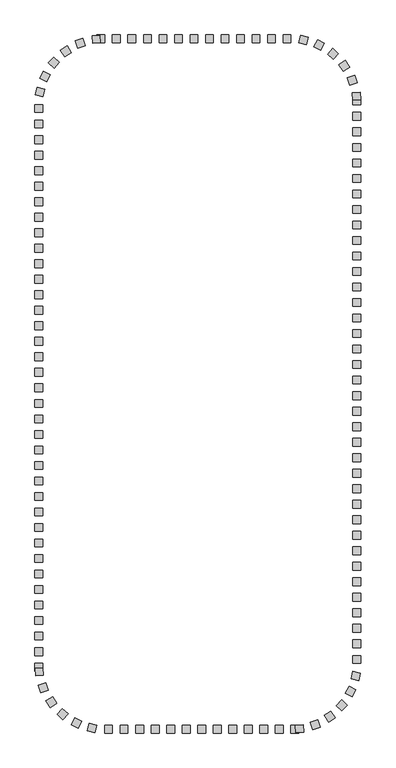
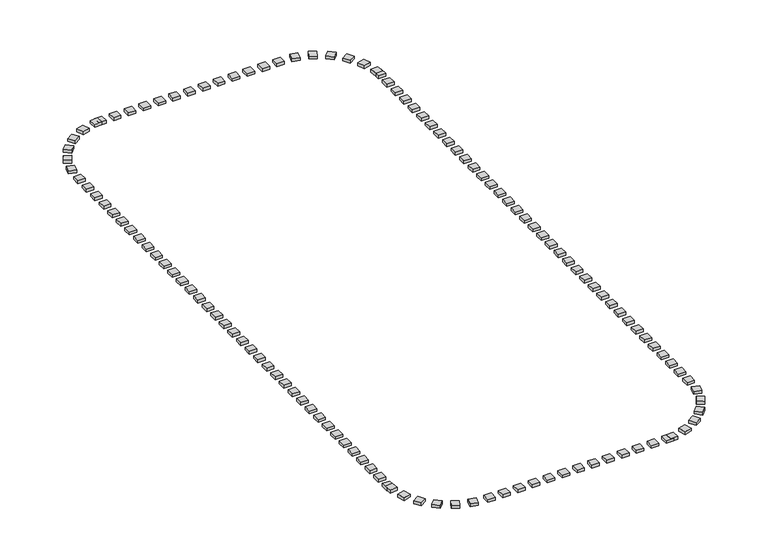
"""IFC4 building model written with IfcOpenShell, lengths in millimetres: railing geometry."""

from ifc_helpers import new_model, si_unit, origin, origin_with_axes, place, context, project, spatial, polyline, outline, extrude, source, transform, mapped, element, save


def railing_40efc9b8(model_context):
    return source(origin(), model_context, "Body", "SweptSolid", [
        extrude(outline(polyline([(37372.4823698, 2754.6603569), (37372.4823698, 2254.6603569), (36872.4823698, 2254.6603569), (36872.4823698, 2754.6603569), (37372.4823698, 2754.6603569)])), origin_with_axes(), (0.0, 0.0, 1.0), 200.0),
        extrude(outline(polyline([(36372.4823698, 2754.6603569), (36372.4823698, 2254.6603569), (35872.4823698, 2254.6603569), (35872.4823698, 2754.6603569), (36372.4823698, 2754.6603569)])), origin_with_axes(), (0.0, 0.0, 1.0), 200.0),
        extrude(outline(polyline([(35372.4823698, 2754.6603569), (35372.4823698, 2254.6603569), (34872.4823698, 2254.6603569), (34872.4823698, 2754.6603569), (35372.4823698, 2754.6603569)])), origin_with_axes(), (0.0, 0.0, 1.0), 200.0),
        extrude(outline(polyline([(34372.4823698, 2754.6603569), (34372.4823698, 2254.6603569), (33872.4823698, 2254.6603569), (33872.4823698, 2754.6603569), (34372.4823698, 2754.6603569)])), origin_with_axes(), (0.0, 0.0, 1.0), 200.0),
        extrude(outline(polyline([(33372.4823698, 2754.6603569), (33372.4823698, 2254.6603569), (32872.4823698, 2254.6603569), (32872.4823698, 2754.6603569), (33372.4823698, 2754.6603569)])), origin_with_axes(), (0.0, 0.0, 1.0), 200.0),
        extrude(outline(polyline([(32372.4823698, 2754.6603569), (32372.4823698, 2254.6603569), (31872.4823698, 2254.6603569), (31872.4823698, 2754.6603569), (32372.4823698, 2754.6603569)])), origin_with_axes(), (0.0, 0.0, 1.0), 200.0),
        extrude(outline(polyline([(31372.4823698, 2754.6603569), (31372.4823698, 2254.6603569), (30872.4823698, 2254.6603569), (30872.4823698, 2754.6603569), (31372.4823698, 2754.6603569)])), origin_with_axes(), (0.0, 0.0, 1.0), 200.0),
        extrude(outline(polyline([(30372.4823698, 2754.6603569), (30372.4823698, 2254.6603569), (29872.4823698, 2254.6603569), (29872.4823698, 2754.6603569), (30372.4823698, 2754.6603569)])), origin_with_axes(), (0.0, 0.0, 1.0), 200.0),
        extrude(outline(polyline([(29372.4823698, 2754.6603569), (29372.4823698, 2254.6603569), (28872.4823698, 2254.6603569), (28872.4823698, 2754.6603569), (29372.4823698, 2754.6603569)])), origin_with_axes(), (0.0, 0.0, 1.0), 200.0),
        extrude(outline(polyline([(28372.4823698, 2754.6603569), (28372.4823698, 2254.6603569), (27872.4823698, 2254.6603569), (27872.4823698, 2754.6603569), (28372.4823698, 2754.6603569)])), origin_with_axes(), (0.0, 0.0, 1.0), 200.0),
        extrude(outline(polyline([(27372.4823698, 2754.6603569), (27372.4823698, 2254.6603569), (26872.4823698, 2254.6603569), (26872.4823698, 2754.6603569), (27372.4823698, 2754.6603569)])), origin_with_axes(), (0.0, 0.0, 1.0), 200.0),
        extrude(outline(polyline([(26054.1649623, 2743.3877966), (26089.5335632, 2244.6403033), (25590.7860699, 2209.2717025), (25555.417469, 2708.0191958), (26054.1649623, 2743.3877966)])), origin_with_axes(), (0.0, 0.0, 1.0), 200.0),
        extrude(outline(polyline([(24953.5317391, 2525.091144), (25111.1929203, 2050.5988343), (24636.7006106, 1892.9376531), (24479.0394294, 2367.4299628), (24953.5317391, 2525.091144)])), origin_with_axes(), (0.0, 0.0, 1.0), 200.0),
        extrude(outline(polyline([(23941.1219934, 2041.2797885), (24211.2731464, 1620.5442961), (23790.537654, 1350.3931432), (23520.386501, 1771.1286356), (23941.1219934, 2041.2797885)])), origin_with_axes(), (0.0, 0.0, 1.0), 200.0),
        extrude(outline(polyline([(23079.8824599, 1322.034777), (23445.7268944, 981.215397), (23104.9075143, 615.3709625), (22739.0630799, 956.1903425), (23079.8824599, 1322.034777)])), origin_with_axes(), (0.0, 0.0, 1.0), 200.0),
        extrude(outline(polyline([(22423.3608413, 412.0752806), (22862.1521223, 172.3625113), (22622.439353, -266.4287697), (22183.648072, -26.7160004), (22423.3608413, 412.0752806)])), origin_with_axes(), (0.0, 0.0, 1.0), 200.0),
        extrude(outline(polyline([(22012.3764722, -632.0218265), (22496.832683, -755.7238061), (22373.1307034, -1240.180017), (21888.6744925, -1116.4780373), (22012.3764722, -632.0218265)])), origin_with_axes(), (0.0, 0.0, 1.0), 200.0),
        extrude(outline(polyline([(21872.4823698, -2745.3396431), (22372.4823698, -2745.3396431), (22372.4823698, -3245.3396431), (21872.4823698, -3245.3396431), (21872.4823698, -2745.3396431)])), origin_with_axes(), (0.0, 0.0, 1.0), 200.0),
        extrude(outline(polyline([(21872.4823698, -3745.3396431), (22372.4823698, -3745.3396431), (22372.4823698, -4245.3396431), (21872.4823698, -4245.3396431), (21872.4823698, -3745.3396431)])), origin_with_axes(), (0.0, 0.0, 1.0), 200.0),
        extrude(outline(polyline([(21872.4823698, -4745.3396431), (22372.4823698, -4745.3396431), (22372.4823698, -5245.3396431), (21872.4823698, -5245.3396431), (21872.4823698, -4745.3396431)])), origin_with_axes(), (0.0, 0.0, 1.0), 200.0),
        extrude(outline(polyline([(21872.4823698, -5745.3396431), (22372.4823698, -5745.3396431), (22372.4823698, -6245.3396431), (21872.4823698, -6245.3396431), (21872.4823698, -5745.3396431)])), origin_with_axes(), (0.0, 0.0, 1.0), 200.0),
        extrude(outline(polyline([(21872.4823698, -6745.3396431), (22372.4823698, -6745.3396431), (22372.4823698, -7245.3396431), (21872.4823698, -7245.3396431), (21872.4823698, -6745.3396431)])), origin_with_axes(), (0.0, 0.0, 1.0), 200.0),
        extrude(outline(polyline([(21872.4823698, -7745.3396431), (22372.4823698, -7745.3396431), (22372.4823698, -8245.3396431), (21872.4823698, -8245.3396431), (21872.4823698, -7745.3396431)])), origin_with_axes(), (0.0, 0.0, 1.0), 200.0),
        extrude(outline(polyline([(21872.4823698, -8745.3396431), (22372.4823698, -8745.3396431), (22372.4823698, -9245.3396431), (21872.4823698, -9245.3396431), (21872.4823698, -8745.3396431)])), origin_with_axes(), (0.0, 0.0, 1.0), 200.0),
        extrude(outline(polyline([(21872.4823698, -9745.3396431), (22372.4823698, -9745.3396431), (22372.4823698, -10245.3396431), (21872.4823698, -10245.3396431), (21872.4823698, -9745.3396431)])), origin_with_axes(), (0.0, 0.0, 1.0), 200.0),
        extrude(outline(polyline([(21872.4823698, -10745.3396431), (22372.4823698, -10745.3396431), (22372.4823698, -11245.3396431), (21872.4823698, -11245.3396431), (21872.4823698, -10745.3396431)])), origin_with_axes(), (0.0, 0.0, 1.0), 200.0),
        extrude(outline(polyline([(21872.4823698, -11745.3396431), (22372.4823698, -11745.3396431), (22372.4823698, -12245.3396431), (21872.4823698, -12245.3396431), (21872.4823698, -11745.3396431)])), origin_with_axes(), (0.0, 0.0, 1.0), 200.0),
        extrude(outline(polyline([(21872.4823698, -12745.3396431), (22372.4823698, -12745.3396431), (22372.4823698, -13245.3396431), (21872.4823698, -13245.3396431), (21872.4823698, -12745.3396431)])), origin_with_axes(), (0.0, 0.0, 1.0), 200.0),
        extrude(outline(polyline([(21872.4823698, -13745.3396431), (22372.4823698, -13745.3396431), (22372.4823698, -14245.3396431), (21872.4823698, -14245.3396431), (21872.4823698, -13745.3396431)])), origin_with_axes(), (0.0, 0.0, 1.0), 200.0),
        extrude(outline(polyline([(21872.4823698, -14745.3396431), (22372.4823698, -14745.3396431), (22372.4823698, -15245.3396431), (21872.4823698, -15245.3396431), (21872.4823698, -14745.3396431)])), origin_with_axes(), (0.0, 0.0, 1.0), 200.0),
        extrude(outline(polyline([(21872.4823698, -15745.3396431), (22372.4823698, -15745.3396431), (22372.4823698, -16245.3396431), (21872.4823698, -16245.3396431), (21872.4823698, -15745.3396431)])), origin_with_axes(), (0.0, 0.0, 1.0), 200.0),
        extrude(outline(polyline([(21872.4823698, -16745.3396431), (22372.4823698, -16745.3396431), (22372.4823698, -17245.3396431), (21872.4823698, -17245.3396431), (21872.4823698, -16745.3396431)])), origin_with_axes(), (0.0, 0.0, 1.0), 200.0),
        extrude(outline(polyline([(21872.4823698, -17745.3396431), (22372.4823698, -17745.3396431), (22372.4823698, -18245.3396431), (21872.4823698, -18245.3396431), (21872.4823698, -17745.3396431)])), origin_with_axes(), (0.0, 0.0, 1.0), 200.0),
        extrude(outline(polyline([(21872.4823698, -18745.3396431), (22372.4823698, -18745.3396431), (22372.4823698, -19245.3396431), (21872.4823698, -19245.3396431), (21872.4823698, -18745.3396431)])), origin_with_axes(), (0.0, 0.0, 1.0), 200.0),
        extrude(outline(polyline([(21872.4823698, -19745.3396431), (22372.4823698, -19745.3396431), (22372.4823698, -20245.3396431), (21872.4823698, -20245.3396431), (21872.4823698, -19745.3396431)])), origin_with_axes(), (0.0, 0.0, 1.0), 200.0),
        extrude(outline(polyline([(21872.4823698, -20745.3396431), (22372.4823698, -20745.3396431), (22372.4823698, -21245.3396431), (21872.4823698, -21245.3396431), (21872.4823698, -20745.3396431)])), origin_with_axes(), (0.0, 0.0, 1.0), 200.0),
        extrude(outline(polyline([(21872.4823698, -21745.3396431), (22372.4823698, -21745.3396431), (22372.4823698, -22245.3396431), (21872.4823698, -22245.3396431), (21872.4823698, -21745.3396431)])), origin_with_axes(), (0.0, 0.0, 1.0), 200.0),
        extrude(outline(polyline([(21872.4823698, -22745.3396431), (22372.4823698, -22745.3396431), (22372.4823698, -23245.3396431), (21872.4823698, -23245.3396431), (21872.4823698, -22745.3396431)])), origin_with_axes(), (0.0, 0.0, 1.0), 200.0),
        extrude(outline(polyline([(21872.4823698, -23745.3396431), (22372.4823698, -23745.3396431), (22372.4823698, -24245.3396431), (21872.4823698, -24245.3396431), (21872.4823698, -23745.3396431)])), origin_with_axes(), (0.0, 0.0, 1.0), 200.0),
        extrude(outline(polyline([(21872.4823698, -24745.3396431), (22372.4823698, -24745.3396431), (22372.4823698, -25245.3396431), (21872.4823698, -25245.3396431), (21872.4823698, -24745.3396431)])), origin_with_axes(), (0.0, 0.0, 1.0), 200.0),
        extrude(outline(polyline([(21872.4823698, -25745.3396431), (22372.4823698, -25745.3396431), (22372.4823698, -26245.3396431), (21872.4823698, -26245.3396431), (21872.4823698, -25745.3396431)])), origin_with_axes(), (0.0, 0.0, 1.0), 200.0),
        extrude(outline(polyline([(21872.4823698, -26745.3396431), (22372.4823698, -26745.3396431), (22372.4823698, -27245.3396431), (21872.4823698, -27245.3396431), (21872.4823698, -26745.3396431)])), origin_with_axes(), (0.0, 0.0, 1.0), 200.0),
        extrude(outline(polyline([(21872.4823698, -27745.3396431), (22372.4823698, -27745.3396431), (22372.4823698, -28245.3396431), (21872.4823698, -28245.3396431), (21872.4823698, -27745.3396431)])), origin_with_axes(), (0.0, 0.0, 1.0), 200.0),
        extrude(outline(polyline([(21872.4823698, -28745.3396431), (22372.4823698, -28745.3396431), (22372.4823698, -29245.3396431), (21872.4823698, -29245.3396431), (21872.4823698, -28745.3396431)])), origin_with_axes(), (0.0, 0.0, 1.0), 200.0),
        extrude(outline(polyline([(21872.4823698, -29745.3396431), (22372.4823698, -29745.3396431), (22372.4823698, -30245.3396431), (21872.4823698, -30245.3396431), (21872.4823698, -29745.3396431)])), origin_with_axes(), (0.0, 0.0, 1.0), 200.0),
        extrude(outline(polyline([(21872.4823698, -30745.3396431), (22372.4823698, -30745.3396431), (22372.4823698, -31245.3396431), (21872.4823698, -31245.3396431), (21872.4823698, -30745.3396431)])), origin_with_axes(), (0.0, 0.0, 1.0), 200.0),
        extrude(outline(polyline([(21872.4823698, -31745.3396431), (22372.4823698, -31745.3396431), (22372.4823698, -32245.3396431), (21872.4823698, -32245.3396431), (21872.4823698, -31745.3396431)])), origin_with_axes(), (0.0, 0.0, 1.0), 200.0),
        extrude(outline(polyline([(21872.4823698, -32745.3396431), (22372.4823698, -32745.3396431), (22372.4823698, -33245.3396431), (21872.4823698, -33245.3396431), (21872.4823698, -32745.3396431)])), origin_with_axes(), (0.0, 0.0, 1.0), 200.0),
        extrude(outline(polyline([(21872.4823698, -33745.3396431), (22372.4823698, -33745.3396431), (22372.4823698, -34245.3396431), (21872.4823698, -34245.3396431), (21872.4823698, -33745.3396431)])), origin_with_axes(), (0.0, 0.0, 1.0), 200.0),
        extrude(outline(polyline([(21872.4823698, -34745.3396431), (22372.4823698, -34745.3396431), (22372.4823698, -35245.3396431), (21872.4823698, -35245.3396431), (21872.4823698, -34745.3396431)])), origin_with_axes(), (0.0, 0.0, 1.0), 200.0),
        extrude(outline(polyline([(21872.4823698, -35745.3396431), (22372.4823698, -35745.3396431), (22372.4823698, -36245.3396431), (21872.4823698, -36245.3396431), (21872.4823698, -35745.3396431)])), origin_with_axes(), (0.0, 0.0, 1.0), 200.0),
        extrude(outline(polyline([(21872.4823698, -36745.3396431), (22372.4823698, -36745.3396431), (22372.4823698, -37245.3396431), (21872.4823698, -37245.3396431), (21872.4823698, -36745.3396431)])), origin_with_axes(), (0.0, 0.0, 1.0), 200.0),
        extrude(outline(polyline([(21883.7549301, -38063.6570506), (22382.5024234, -38028.2884498), (22417.8710243, -38527.0359431), (21919.123531, -38562.4045439), (21883.7549301, -38063.6570506)])), origin_with_axes(), (0.0, 0.0, 1.0), 200.0),
        extrude(outline(polyline([(22102.0515827, -39164.2902739), (22576.5438924, -39006.6290927), (22734.2050736, -39481.1214024), (22259.7127639, -39638.7825836), (22102.0515827, -39164.2902739)])), origin_with_axes(), (0.0, 0.0, 1.0), 200.0),
        extrude(outline(polyline([(22585.8629382, -40176.7000195), (23006.5984306, -39906.5488666), (23276.7495836, -40327.284359), (22856.0140911, -40597.4355119), (22585.8629382, -40176.7000195)])), origin_with_axes(), (0.0, 0.0, 1.0), 200.0),
        extrude(outline(polyline([(23305.1079497, -41037.9395531), (23645.9273298, -40672.0951186), (24011.7717642, -41012.9144986), (23670.9523842, -41378.7589331), (23305.1079497, -41037.9395531)])), origin_with_axes(), (0.0, 0.0, 1.0), 200.0),
        extrude(outline(polyline([(24215.0674461, -41694.4611716), (24454.7802154, -41255.6698907), (24893.5714964, -41495.38266), (24653.8587271, -41934.1739409), (24215.0674461, -41694.4611716)])), origin_with_axes(), (0.0, 0.0, 1.0), 200.0),
        extrude(outline(polyline([(25259.1645532, -42105.4455408), (25382.8665328, -41620.98933), (25867.3227437, -41744.6913096), (25743.6207641, -42229.1475205), (25259.1645532, -42105.4455408)])), origin_with_axes(), (0.0, 0.0, 1.0), 200.0),
        extrude(outline(polyline([(27372.4823698, -42245.3396431), (27372.4823698, -41745.3396431), (27872.4823698, -41745.3396431), (27872.4823698, -42245.3396431), (27372.4823698, -42245.3396431)])), origin_with_axes(), (0.0, 0.0, 1.0), 200.0),
        extrude(outline(polyline([(28372.4823698, -42245.3396431), (28372.4823698, -41745.3396431), (28872.4823698, -41745.3396431), (28872.4823698, -42245.3396431), (28372.4823698, -42245.3396431)])), origin_with_axes(), (0.0, 0.0, 1.0), 200.0),
        extrude(outline(polyline([(29372.4823698, -42245.3396431), (29372.4823698, -41745.3396431), (29872.4823698, -41745.3396431), (29872.4823698, -42245.3396431), (29372.4823698, -42245.3396431)])), origin_with_axes(), (0.0, 0.0, 1.0), 200.0),
        extrude(outline(polyline([(30372.4823698, -42245.3396431), (30372.4823698, -41745.3396431), (30872.4823698, -41745.3396431), (30872.4823698, -42245.3396431), (30372.4823698, -42245.3396431)])), origin_with_axes(), (0.0, 0.0, 1.0), 200.0),
        extrude(outline(polyline([(31372.4823698, -42245.3396431), (31372.4823698, -41745.3396431), (31872.4823698, -41745.3396431), (31872.4823698, -42245.3396431), (31372.4823698, -42245.3396431)])), origin_with_axes(), (0.0, 0.0, 1.0), 200.0),
        extrude(outline(polyline([(32372.4823698, -42245.3396431), (32372.4823698, -41745.3396431), (32872.4823698, -41745.3396431), (32872.4823698, -42245.3396431), (32372.4823698, -42245.3396431)])), origin_with_axes(), (0.0, 0.0, 1.0), 200.0),
        extrude(outline(polyline([(33372.4823698, -42245.3396431), (33372.4823698, -41745.3396431), (33872.4823698, -41745.3396431), (33872.4823698, -42245.3396431), (33372.4823698, -42245.3396431)])), origin_with_axes(), (0.0, 0.0, 1.0), 200.0),
        extrude(outline(polyline([(34372.4823698, -42245.3396431), (34372.4823698, -41745.3396431), (34872.4823698, -41745.3396431), (34872.4823698, -42245.3396431), (34372.4823698, -42245.3396431)])), origin_with_axes(), (0.0, 0.0, 1.0), 200.0),
        extrude(outline(polyline([(35372.4823698, -42245.3396431), (35372.4823698, -41745.3396431), (35872.4823698, -41745.3396431), (35872.4823698, -42245.3396431), (35372.4823698, -42245.3396431)])), origin_with_axes(), (0.0, 0.0, 1.0), 200.0),
        extrude(outline(polyline([(36372.4823698, -42245.3396431), (36372.4823698, -41745.3396431), (36872.4823698, -41745.3396431), (36872.4823698, -42245.3396431), (36372.4823698, -42245.3396431)])), origin_with_axes(), (0.0, 0.0, 1.0), 200.0),
        extrude(outline(polyline([(37372.4823698, -42245.3396431), (37372.4823698, -41745.3396431), (37872.4823698, -41745.3396431), (37872.4823698, -42245.3396431), (37372.4823698, -42245.3396431)])), origin_with_axes(), (0.0, 0.0, 1.0), 200.0),
        extrude(outline(polyline([(38690.7997774, -42234.0670828), (38655.4311765, -41735.3195895), (39154.1786698, -41699.9509887), (39189.5472707, -42198.698482), (38690.7997774, -42234.0670828)])), origin_with_axes(), (0.0, 0.0, 1.0), 200.0),
        extrude(outline(polyline([(39791.4330006, -42015.7704302), (39633.7718194, -41541.2781206), (40108.2641291, -41383.6169394), (40265.9253103, -41858.109249), (39791.4330006, -42015.7704302)])), origin_with_axes(), (0.0, 0.0, 1.0), 200.0),
        extrude(outline(polyline([(40803.8427463, -41531.9590748), (40533.6915933, -41111.2235824), (40954.4270857, -40841.0724294), (41224.5782387, -41261.8079218), (40803.8427463, -41531.9590748)])), origin_with_axes(), (0.0, 0.0, 1.0), 200.0),
        extrude(outline(polyline([(41665.0822798, -40812.7140632), (41299.2378453, -40471.8946832), (41640.0572254, -40106.0502488), (42005.9016598, -40446.8696288), (41665.0822798, -40812.7140632)])), origin_with_axes(), (0.0, 0.0, 1.0), 200.0),
        extrude(outline(polyline([(42321.6038984, -39902.7545668), (41882.8126174, -39663.0417975), (42122.5253867, -39224.2505166), (42561.3166677, -39463.9632859), (42321.6038984, -39902.7545668)])), origin_with_axes(), (0.0, 0.0, 1.0), 200.0),
        extrude(outline(polyline([(42732.5882675, -38858.6574598), (42248.1320567, -38734.9554801), (42371.8340363, -38250.4992693), (42856.2902472, -38374.2012489), (42732.5882675, -38858.6574598)])), origin_with_axes(), (0.0, 0.0, 1.0), 200.0),
        extrude(outline(polyline([(42872.4823698, -36745.3396431), (42372.4823698, -36745.3396431), (42372.4823698, -36245.3396431), (42872.4823698, -36245.3396431), (42872.4823698, -36745.3396431)])), origin_with_axes(), (0.0, 0.0, 1.0), 200.0),
        extrude(outline(polyline([(42872.4823698, -35745.3396431), (42372.4823698, -35745.3396431), (42372.4823698, -35245.3396431), (42872.4823698, -35245.3396431), (42872.4823698, -35745.3396431)])), origin_with_axes(), (0.0, 0.0, 1.0), 200.0),
        extrude(outline(polyline([(42872.4823698, -34745.3396431), (42372.4823698, -34745.3396431), (42372.4823698, -34245.3396431), (42872.4823698, -34245.3396431), (42872.4823698, -34745.3396431)])), origin_with_axes(), (0.0, 0.0, 1.0), 200.0),
        extrude(outline(polyline([(42872.4823698, -33745.3396431), (42372.4823698, -33745.3396431), (42372.4823698, -33245.3396431), (42872.4823698, -33245.3396431), (42872.4823698, -33745.3396431)])), origin_with_axes(), (0.0, 0.0, 1.0), 200.0),
        extrude(outline(polyline([(42872.4823698, -32745.3396431), (42372.4823698, -32745.3396431), (42372.4823698, -32245.3396431), (42872.4823698, -32245.3396431), (42872.4823698, -32745.3396431)])), origin_with_axes(), (0.0, 0.0, 1.0), 200.0),
        extrude(outline(polyline([(42872.4823698, -31745.3396431), (42372.4823698, -31745.3396431), (42372.4823698, -31245.3396431), (42872.4823698, -31245.3396431), (42872.4823698, -31745.3396431)])), origin_with_axes(), (0.0, 0.0, 1.0), 200.0),
        extrude(outline(polyline([(42872.4823698, -30745.3396431), (42372.4823698, -30745.3396431), (42372.4823698, -30245.3396431), (42872.4823698, -30245.3396431), (42872.4823698, -30745.3396431)])), origin_with_axes(), (0.0, 0.0, 1.0), 200.0),
        extrude(outline(polyline([(42872.4823698, -29745.3396431), (42372.4823698, -29745.3396431), (42372.4823698, -29245.3396431), (42872.4823698, -29245.3396431), (42872.4823698, -29745.3396431)])), origin_with_axes(), (0.0, 0.0, 1.0), 200.0),
        extrude(outline(polyline([(42872.4823698, -28745.3396431), (42372.4823698, -28745.3396431), (42372.4823698, -28245.3396431), (42872.4823698, -28245.3396431), (42872.4823698, -28745.3396431)])), origin_with_axes(), (0.0, 0.0, 1.0), 200.0),
        extrude(outline(polyline([(42872.4823698, -27745.3396431), (42372.4823698, -27745.3396431), (42372.4823698, -27245.3396431), (42872.4823698, -27245.3396431), (42872.4823698, -27745.3396431)])), origin_with_axes(), (0.0, 0.0, 1.0), 200.0),
        extrude(outline(polyline([(42872.4823698, -26745.3396431), (42372.4823698, -26745.3396431), (42372.4823698, -26245.3396431), (42872.4823698, -26245.3396431), (42872.4823698, -26745.3396431)])), origin_with_axes(), (0.0, 0.0, 1.0), 200.0),
        extrude(outline(polyline([(42872.4823698, -25745.3396431), (42372.4823698, -25745.3396431), (42372.4823698, -25245.3396431), (42872.4823698, -25245.3396431), (42872.4823698, -25745.3396431)])), origin_with_axes(), (0.0, 0.0, 1.0), 200.0),
        extrude(outline(polyline([(42872.4823698, -24745.3396431), (42372.4823698, -24745.3396431), (42372.4823698, -24245.3396431), (42872.4823698, -24245.3396431), (42872.4823698, -24745.3396431)])), origin_with_axes(), (0.0, 0.0, 1.0), 200.0),
        extrude(outline(polyline([(42872.4823698, -23745.3396431), (42372.4823698, -23745.3396431), (42372.4823698, -23245.3396431), (42872.4823698, -23245.3396431), (42872.4823698, -23745.3396431)])), origin_with_axes(), (0.0, 0.0, 1.0), 200.0),
        extrude(outline(polyline([(42872.4823698, -22745.3396431), (42372.4823698, -22745.3396431), (42372.4823698, -22245.3396431), (42872.4823698, -22245.3396431), (42872.4823698, -22745.3396431)])), origin_with_axes(), (0.0, 0.0, 1.0), 200.0),
        extrude(outline(polyline([(42872.4823698, -21745.3396431), (42372.4823698, -21745.3396431), (42372.4823698, -21245.3396431), (42872.4823698, -21245.3396431), (42872.4823698, -21745.3396431)])), origin_with_axes(), (0.0, 0.0, 1.0), 200.0),
        extrude(outline(polyline([(42872.4823698, -20745.3396431), (42372.4823698, -20745.3396431), (42372.4823698, -20245.3396431), (42872.4823698, -20245.3396431), (42872.4823698, -20745.3396431)])), origin_with_axes(), (0.0, 0.0, 1.0), 200.0),
        extrude(outline(polyline([(42872.4823698, -19745.3396431), (42372.4823698, -19745.3396431), (42372.4823698, -19245.3396431), (42872.4823698, -19245.3396431), (42872.4823698, -19745.3396431)])), origin_with_axes(), (0.0, 0.0, 1.0), 200.0),
        extrude(outline(polyline([(42872.4823698, -18745.3396431), (42372.4823698, -18745.3396431), (42372.4823698, -18245.3396431), (42872.4823698, -18245.3396431), (42872.4823698, -18745.3396431)])), origin_with_axes(), (0.0, 0.0, 1.0), 200.0),
        extrude(outline(polyline([(42872.4823698, -17745.3396431), (42372.4823698, -17745.3396431), (42372.4823698, -17245.3396431), (42872.4823698, -17245.3396431), (42872.4823698, -17745.3396431)])), origin_with_axes(), (0.0, 0.0, 1.0), 200.0),
        extrude(outline(polyline([(42872.4823698, -16745.3396431), (42372.4823698, -16745.3396431), (42372.4823698, -16245.3396431), (42872.4823698, -16245.3396431), (42872.4823698, -16745.3396431)])), origin_with_axes(), (0.0, 0.0, 1.0), 200.0),
        extrude(outline(polyline([(42872.4823698, -15745.3396431), (42372.4823698, -15745.3396431), (42372.4823698, -15245.3396431), (42872.4823698, -15245.3396431), (42872.4823698, -15745.3396431)])), origin_with_axes(), (0.0, 0.0, 1.0), 200.0),
        extrude(outline(polyline([(42872.4823698, -14745.3396431), (42372.4823698, -14745.3396431), (42372.4823698, -14245.3396431), (42872.4823698, -14245.3396431), (42872.4823698, -14745.3396431)])), origin_with_axes(), (0.0, 0.0, 1.0), 200.0),
        extrude(outline(polyline([(42872.4823698, -13745.3396431), (42372.4823698, -13745.3396431), (42372.4823698, -13245.3396431), (42872.4823698, -13245.3396431), (42872.4823698, -13745.3396431)])), origin_with_axes(), (0.0, 0.0, 1.0), 200.0),
        extrude(outline(polyline([(42872.4823698, -12745.3396431), (42372.4823698, -12745.3396431), (42372.4823698, -12245.3396431), (42872.4823698, -12245.3396431), (42872.4823698, -12745.3396431)])), origin_with_axes(), (0.0, 0.0, 1.0), 200.0),
        extrude(outline(polyline([(42872.4823698, -11745.3396431), (42372.4823698, -11745.3396431), (42372.4823698, -11245.3396431), (42872.4823698, -11245.3396431), (42872.4823698, -11745.3396431)])), origin_with_axes(), (0.0, 0.0, 1.0), 200.0),
        extrude(outline(polyline([(42872.4823698, -10745.3396431), (42372.4823698, -10745.3396431), (42372.4823698, -10245.3396431), (42872.4823698, -10245.3396431), (42872.4823698, -10745.3396431)])), origin_with_axes(), (0.0, 0.0, 1.0), 200.0),
        extrude(outline(polyline([(42872.4823698, -9745.3396431), (42372.4823698, -9745.3396431), (42372.4823698, -9245.3396431), (42872.4823698, -9245.3396431), (42872.4823698, -9745.3396431)])), origin_with_axes(), (0.0, 0.0, 1.0), 200.0),
        extrude(outline(polyline([(42872.4823698, -8745.3396431), (42372.4823698, -8745.3396431), (42372.4823698, -8245.3396431), (42872.4823698, -8245.3396431), (42872.4823698, -8745.3396431)])), origin_with_axes(), (0.0, 0.0, 1.0), 200.0),
        extrude(outline(polyline([(42872.4823698, -7745.3396431), (42372.4823698, -7745.3396431), (42372.4823698, -7245.3396431), (42872.4823698, -7245.3396431), (42872.4823698, -7745.3396431)])), origin_with_axes(), (0.0, 0.0, 1.0), 200.0),
        extrude(outline(polyline([(42872.4823698, -6745.3396431), (42372.4823698, -6745.3396431), (42372.4823698, -6245.3396431), (42872.4823698, -6245.3396431), (42872.4823698, -6745.3396431)])), origin_with_axes(), (0.0, 0.0, 1.0), 200.0),
        extrude(outline(polyline([(42872.4823698, -5745.3396431), (42372.4823698, -5745.3396431), (42372.4823698, -5245.3396431), (42872.4823698, -5245.3396431), (42872.4823698, -5745.3396431)])), origin_with_axes(), (0.0, 0.0, 1.0), 200.0),
        extrude(outline(polyline([(42872.4823698, -4745.3396431), (42372.4823698, -4745.3396431), (42372.4823698, -4245.3396431), (42872.4823698, -4245.3396431), (42872.4823698, -4745.3396431)])), origin_with_axes(), (0.0, 0.0, 1.0), 200.0),
        extrude(outline(polyline([(42872.4823698, -3745.3396431), (42372.4823698, -3745.3396431), (42372.4823698, -3245.3396431), (42872.4823698, -3245.3396431), (42872.4823698, -3745.3396431)])), origin_with_axes(), (0.0, 0.0, 1.0), 200.0),
        extrude(outline(polyline([(42872.4823698, -2745.3396431), (42372.4823698, -2745.3396431), (42372.4823698, -2245.3396431), (42872.4823698, -2245.3396431), (42872.4823698, -2745.3396431)])), origin_with_axes(), (0.0, 0.0, 1.0), 200.0),
        extrude(outline(polyline([(42861.2098096, -1427.0222356), (42362.4623163, -1462.3908365), (42327.0937154, -963.6433432), (42825.8412087, -928.2747423), (42861.2098096, -1427.0222356)])), origin_with_axes(), (0.0, 0.0, 1.0), 200.0),
        extrude(outline(polyline([(42642.9131569, -326.3890124), (42168.4208473, -484.0501935), (42010.7596661, -9.5578839), (42485.2519758, 148.1032973), (42642.9131569, -326.3890124)])), origin_with_axes(), (0.0, 0.0, 1.0), 200.0),
        extrude(outline(polyline([(42159.1018015, 686.0207333), (41738.3663091, 415.8695803), (41468.2151561, 836.6050727), (41888.9506486, 1106.7562257), (42159.1018015, 686.0207333)])), origin_with_axes(), (0.0, 0.0, 1.0), 200.0),
        extrude(outline(polyline([(41439.85679, 1547.2602668), (41099.0374099, 1181.4158324), (40733.1929755, 1522.2352124), (41074.0123555, 1888.0796468), (41439.85679, 1547.2602668)])), origin_with_axes(), (0.0, 0.0, 1.0), 200.0),
        extrude(outline(polyline([(40529.8972936, 2203.7818854), (40290.1845243, 1764.9906044), (39851.3932433, 2004.7033737), (40091.1060126, 2443.4946547), (40529.8972936, 2203.7818854)])), origin_with_axes(), (0.0, 0.0, 1.0), 200.0),
        extrude(outline(polyline([(39485.8001865, 2614.7662546), (39362.0982069, 2130.3100437), (38877.641996, 2254.0120233), (39001.3439756, 2738.4682342), (39485.8001865, 2614.7662546)])), origin_with_axes(), (0.0, 0.0, 1.0), 200.0),
        extrude(outline(polyline([(38372.4823698, 2754.6603569), (38372.4823698, 2254.6603569), (37872.4823698, 2254.6603569), (37872.4823698, 2754.6603569), (38372.4823698, 2754.6603569)])), origin_with_axes(), (0.0, 0.0, 1.0), 200.0),
        extrude(outline(polyline([(26372.4823698, 2754.6603569), (26372.4823698, 2254.6603569), (25872.4823698, 2254.6603569), (25872.4823698, 2754.6603569), (26372.4823698, 2754.6603569)])), origin_with_axes(), (0.0, 0.0, 1.0), 200.0),
        extrude(outline(polyline([(21872.4823698, -1745.3396431), (22372.4823698, -1745.3396431), (22372.4823698, -2245.3396431), (21872.4823698, -2245.3396431), (21872.4823698, -1745.3396431)])), origin_with_axes(), (0.0, 0.0, 1.0), 200.0),
        extrude(outline(polyline([(21872.4823698, -37745.3396431), (22372.4823698, -37745.3396431), (22372.4823698, -38245.3396431), (21872.4823698, -38245.3396431), (21872.4823698, -37745.3396431)])), origin_with_axes(), (0.0, 0.0, 1.0), 200.0),
        extrude(outline(polyline([(26372.4823698, -42245.3396431), (26372.4823698, -41745.3396431), (26872.4823698, -41745.3396431), (26872.4823698, -42245.3396431), (26372.4823698, -42245.3396431)])), origin_with_axes(), (0.0, 0.0, 1.0), 200.0),
        extrude(outline(polyline([(38372.4823698, -42245.3396431), (38372.4823698, -41745.3396431), (38872.4823698, -41745.3396431), (38872.4823698, -42245.3396431), (38372.4823698, -42245.3396431)])), origin_with_axes(), (0.0, 0.0, 1.0), 200.0),
        extrude(outline(polyline([(42872.4823698, -37745.3396431), (42372.4823698, -37745.3396431), (42372.4823698, -37245.3396431), (42872.4823698, -37245.3396431), (42872.4823698, -37745.3396431)])), origin_with_axes(), (0.0, 0.0, 1.0), 200.0),
        extrude(outline(polyline([(42872.4823698, -1745.3396431), (42372.4823698, -1745.3396431), (42372.4823698, -1245.3396431), (42872.4823698, -1245.3396431), (42872.4823698, -1745.3396431)])), origin_with_axes(), (0.0, 0.0, 1.0), 200.0),
    ])


if __name__ == "__main__":
    model = new_model("IFC4")
    model_context = context("Model", 3, world=origin())
    ifc_project = project(units=[si_unit("LENGTHUNIT", "METRE", prefix="MILLI")], contexts=[model_context])
    site = spatial("IfcSite", under=ifc_project)
    building = spatial("IfcBuilding", under=site)
    placement = place(None, origin())
    railing_shape = railing_40efc9b8(model_context)
    element("IfcRailing", 1, at=placement, inside=building, context=model_context, shape_type="MappedRepresentation", body=[
        mapped(railing_shape, transform((0.0, 0.0, 0.0), x_axis=(1.0, 0.0, 0.0), y_axis=(0.0, 1.0, 0.0), z_axis=(0.0, 0.0, 1.0))),
    ])
    save(model, "model.ifc")
